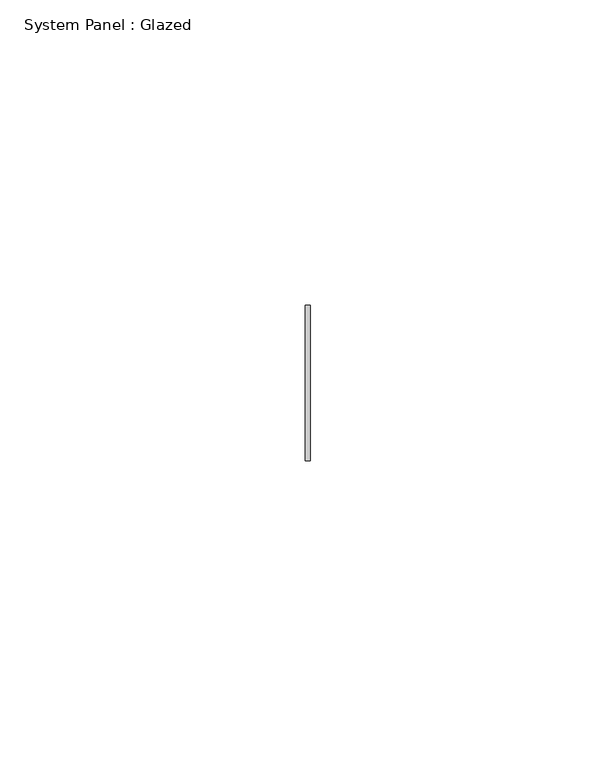
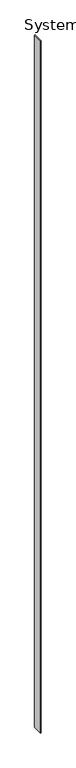
"""IFC4 building model written with IfcOpenShell, lengths in millimetres: plate geometry, System Panel : Glazed."""

import ifcopenshell
import ifcopenshell.guid

model = None  # the IFC model being written
_history = None  # IfcOwnerHistory: only IFC2X3 demands one
_inside = {}  # id of a spatial element -> (the spatial element, [elements in it])
_under = {}  # id of a project, library or spatial element -> (it, [spatial elements below it])
_declared = {}  # id of a project -> (the project, [libraries it declares])
_typed = {}  # id of a type object -> (the type object, [elements of that type])
_made_of = {}  # id of a material, layer set ... -> (it, [elements and type objects made of it])


def new_model(schema):
    """Start an empty IFC model of exactly this schema.

    Asked for "IFC4X3", IfcOpenShell would pick the latest addendum, in which some entities
    have other attributes; the version numbers below select the first issue.
    IFC2X3 requires an IfcOwnerHistory on every rooted entity: one is made here for all.
    """
    global model, _history
    if schema == "IFC4X3":
        model = ifcopenshell.file(schema_version=(4, 3, 0, 0))
    else:
        model = ifcopenshell.file(schema=schema)
    _inside.clear()
    _under.clear()
    _declared.clear()
    _typed.clear()
    _made_of.clear()
    _history = None
    if model.schema == "IFC2X3":
        org = make("IfcOrganization", Name="unknown")
        user = make(
            "IfcPersonAndOrganization",
            ThePerson=make("IfcPerson", FamilyName="unknown"),
            TheOrganization=org,
        )
        app = make(
            "IfcApplication",
            ApplicationDeveloper=org,
            Version="unknown",
            ApplicationFullName="unknown",
            ApplicationIdentifier="unknown",
        )
        _history = make(
            "IfcOwnerHistory",
            OwningUser=user,
            OwningApplication=app,
            ChangeAction="ADDED",
            CreationDate=0,
        )
    return model


def make(cls, **values):
    """One entity of the class cls with the attributes given. An attribute that is None is left unset."""
    return model.create_entity(
        cls, **{name: value for name, value in values.items() if value is not None}
    )


def rooted(cls, **values):
    """An entity with a GlobalId (a new one), such as an element, a storey or a relation."""
    return make(cls, GlobalId=ifcopenshell.guid.new(), OwnerHistory=_history, **values)


def si_unit(unit_type, name, prefix=None):
    """IfcSIUnit, for example si_unit("LENGTHUNIT", "METRE", prefix="MILLI")."""
    return make("IfcSIUnit", UnitType=unit_type, Prefix=prefix, Name=name)


def assignment(units):
    """IfcUnitAssignment: the units of a project."""
    return None if units is None else make("IfcUnitAssignment", Units=units)


def point(xyz):
    """IfcCartesianPoint."""
    return None if xyz is None else make("IfcCartesianPoint", Coordinates=xyz)


def direction(xyz):
    """IfcDirection."""
    return None if xyz is None else make("IfcDirection", DirectionRatios=xyz)


def frame(location, z_axis=None, x_axis=None):
    """IfcAxis2Placement3D, a coordinate frame: its origin and axes. An axis left out is left unset."""
    return make(
        "IfcAxis2Placement3D",
        Location=point(location),
        Axis=direction(z_axis),
        RefDirection=direction(x_axis),
    )


def origin():
    """The frame at (0, 0, 0) with its axes left unset."""
    return frame((0.0, 0.0, 0.0))


def origin_with_axes():
    """The frame at (0, 0, 0) with the z axis (0, 0, 1) and the x axis (1, 0, 0) written out."""
    return frame((0.0, 0.0, 0.0), z_axis=(0.0, 0.0, 1.0), x_axis=(1.0, 0.0, 0.0))


def place(relative_to, where):
    """IfcLocalPlacement: puts the frame where relative to a parent placement (None: the world)."""
    return make(
        "IfcLocalPlacement", PlacementRelTo=relative_to, RelativePlacement=where
    )


def context(
    kind, dimensions, precision=None, world=None, true_north=None, identifier=None
):
    """IfcGeometricRepresentationContext, for example the 3D "Model" context."""
    return make(
        "IfcGeometricRepresentationContext",
        ContextIdentifier=identifier,
        ContextType=kind,
        CoordinateSpaceDimension=dimensions,
        Precision=precision,
        WorldCoordinateSystem=world,
        TrueNorth=true_north,
    )


def project(units=None, contexts=None):
    """IfcProject with its units and contexts."""
    return rooted(
        "IfcProject",
        Name="project",
        RepresentationContexts=contexts,
        UnitsInContext=assignment(units),
    )


def spatial(cls, under=None, at=None, **own):
    """A site, building, storey or space (cls), placed at a placement, below another one or the project."""
    s = rooted(cls, ObjectPlacement=at, **own)
    if under is not None:
        _under.setdefault(under.id(), (under, []))[1].append(s)
    return s


def polyline(points):
    """IfcPolyline through the points."""
    return make("IfcPolyline", Points=[point(p) for p in points])


def outline(outer, holes=None, kind="AREA"):
    """IfcArbitraryClosedProfileDef: a profile drawn as a closed curve; with holes, ...WithVoids."""
    if holes is None:
        return make("IfcArbitraryClosedProfileDef", ProfileType=kind, OuterCurve=outer)
    return make(
        "IfcArbitraryProfileDefWithVoids",
        ProfileType=kind,
        OuterCurve=outer,
        InnerCurves=holes,
    )


def extrude(swept, where, along, depth):
    """IfcExtrudedAreaSolid: the profile swept, set in the frame where, extruded along a direction by depth."""
    return make(
        "IfcExtrudedAreaSolid",
        SweptArea=swept,
        Position=where,
        ExtrudedDirection=direction(along),
        Depth=depth,
    )


def shape(context_of_items, identifier, shape_type, items):
    """IfcShapeRepresentation: the items that make up one representation, for example the "Body"."""
    return make(
        "IfcShapeRepresentation",
        ContextOfItems=context_of_items,
        RepresentationIdentifier=identifier,
        RepresentationType=shape_type,
        Items=items,
    )


def source(mapping_origin, context_of_items, identifier, shape_type, items):
    """IfcRepresentationMap: a shape defined once, which mapped items show again and again."""
    return make(
        "IfcRepresentationMap",
        MappingOrigin=mapping_origin,
        MappedRepresentation=shape(context_of_items, identifier, shape_type, items),
    )


def transform(
    local_origin,
    x_axis=None,
    y_axis=None,
    z_axis=None,
    scale=None,
    scale2=None,
    scale3=None,
    uniform=True,
):
    """IfcCartesianTransformationOperator3D, or its non-uniform kind. x_axis, y_axis, z_axis: its Axis1, 2, 3."""
    if uniform:
        return make(
            "IfcCartesianTransformationOperator3D",
            Axis1=direction(x_axis),
            Axis2=direction(y_axis),
            LocalOrigin=point(local_origin),
            Scale=scale,
            Axis3=direction(z_axis),
        )
    return make(
        "IfcCartesianTransformationOperator3DnonUniform",
        Axis1=direction(x_axis),
        Axis2=direction(y_axis),
        LocalOrigin=point(local_origin),
        Scale=scale,
        Axis3=direction(z_axis),
        Scale2=scale2,
        Scale3=scale3,
    )


def mapped(mapping_source, mapping_target):
    """IfcMappedItem: shows the shape of a source again, moved by a transform."""
    return make(
        "IfcMappedItem", MappingSource=mapping_source, MappingTarget=mapping_target
    )


def made_of(thing, what):
    """Note that an element or type object is made of a material, layer set ...; save() writes the relation."""
    if what is not None:
        _made_of.setdefault(what.id(), (what, []))[1].append(thing)
    return thing


def element(
    cls,
    number,
    at=None,
    inside=None,
    cuts=None,
    type_object=None,
    material=None,
    context=None,
    identifier="Body",
    shape_type=None,
    held_by="IfcProductDefinitionShape",
    body=None,
    shapes=None,
    **own,
):
    """One element of the class cls, such as IfcWall. Its Tag is "e" and its number.

    at: its placement. inside: the storey or other place that contains it. cuts: it is an
    opening in that element (IfcRelVoidsElement). A single representation is given by context,
    identifier, shape_type and body (its items); several are given by shapes. held_by: the class
    of the entity that holds the representations. save() writes the other relations.
    """
    e = rooted(cls, Tag="e%d" % number, ObjectPlacement=at, **own)
    if body is not None:
        shapes = [shape(context, identifier, shape_type, body)]
    if shapes is not None:
        e.Representation = make(held_by, Representations=shapes)
    if inside is not None:
        _inside.setdefault(inside.id(), (inside, []))[1].append(e)
    if cuts is not None:
        rooted(
            "IfcRelVoidsElement", RelatingBuildingElement=cuts, RelatedOpeningElement=e
        )
    if type_object is not None:
        _typed.setdefault(type_object.id(), (type_object, []))[1].append(e)
    return made_of(e, material)


def aggregate(whole, parts):
    """IfcRelAggregates: a whole, such as a stair, and the parts it consists of."""
    return rooted("IfcRelAggregates", RelatingObject=whole, RelatedObjects=parts)


def save(model, path):
    """Write the relations noted so far, then the file.

    IfcRelAggregates (storeys below a building ...), IfcRelContainedInSpatialStructure (elements
    in a storey), IfcRelDefinesByType, IfcRelAssociatesMaterial and IfcRelDeclares: one each for
    every whole, place, type object, material and project.
    """
    for whole, parts in _under.values():
        aggregate(whole, parts)
    for where, things in _inside.values():
        rooted(
            "IfcRelContainedInSpatialStructure",
            RelatedElements=things,
            RelatingStructure=where,
        )
    for kind, things in _typed.values():
        rooted("IfcRelDefinesByType", RelatedObjects=things, RelatingType=kind)
    for what, things in _made_of.values():
        rooted("IfcRelAssociatesMaterial", RelatedObjects=things, RelatingMaterial=what)
    for by, libraries in _declared.values():
        rooted("IfcRelDeclares", RelatingContext=by, RelatedDefinitions=libraries)
    model.write(path)


def system_panel_glazed_539cfc73(model_context):
    return source(origin(), model_context, "Body", "SweptSolid", [
        extrude(outline(polyline([(0.396875, 2.4804687), (-0.396875, 2.4804687), (-0.396875, 27.8804687), (0.396875, 27.8804687), (0.396875, 2.4804687)])), origin_with_axes(), (0.0, 0.0, 1.0), 1765.3),
    ])


if __name__ == "__main__":
    model = new_model("IFC4")
    model_context = context("Model", 3, world=origin())
    ifc_project = project(units=[si_unit("LENGTHUNIT", "METRE", prefix="MILLI")], contexts=[model_context])
    site = spatial("IfcSite", under=ifc_project)
    building = spatial("IfcBuilding", under=site)
    placement = place(None, origin())
    system_panel_glazed_shape = system_panel_glazed_539cfc73(model_context)
    element("IfcPlate", 1, ObjectType="System Panel : Glazed", at=placement, inside=building, context=model_context, shape_type="MappedRepresentation", body=[
        mapped(system_panel_glazed_shape, transform((0.0, 0.0, 0.0), x_axis=(1.0, 0.0, 0.0), y_axis=(0.0, 1.0, 0.0), z_axis=(0.0, 0.0, 1.0))),
    ])
    save(model, "model.ifc")
